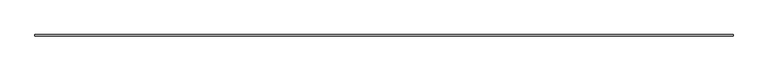
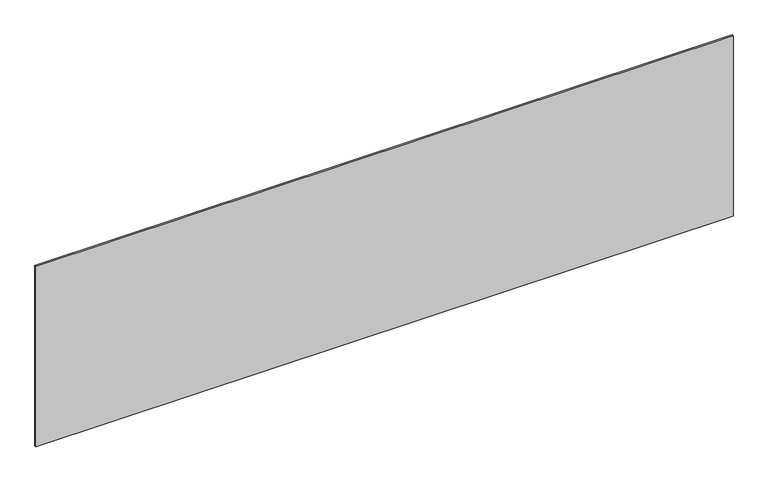
"""IFC4 building model written with IfcOpenShell, lengths in millimetres: plate geometry."""

from ifc_helpers import new_model, si_unit, origin, origin_with_axes, place, context, project, spatial, polyline, outline, extrude, source, transform, mapped, element, save


def plate_b0379a14(model_context):
    return source(origin(), model_context, "Body", "SweptSolid", [
        extrude(outline(polyline([(2281.6666667, -5.0), (-2281.6666667, -5.0), (-2281.6666667, 5.0), (2281.6666667, 5.0), (2281.6666667, -5.0)])), origin_with_axes(), (0.0, 0.0, 1.0), 1249.3695227),
    ])


if __name__ == "__main__":
    model = new_model("IFC4")
    model_context = context("Model", 3, world=origin())
    ifc_project = project(units=[si_unit("LENGTHUNIT", "METRE", prefix="MILLI")], contexts=[model_context])
    site = spatial("IfcSite", under=ifc_project)
    building = spatial("IfcBuilding", under=site)
    placement = place(None, origin())
    plate_shape = plate_b0379a14(model_context)
    element("IfcPlate", 1, at=placement, inside=building, context=model_context, shape_type="MappedRepresentation", body=[
        mapped(plate_shape, transform((0.0, 0.0, 0.0), x_axis=(1.0, 0.0, 0.0), y_axis=(0.0, 1.0, 0.0), z_axis=(0.0, 0.0, 1.0))),
    ])
    save(model, "model.ifc")
